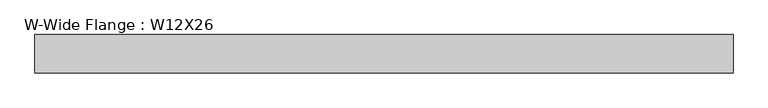
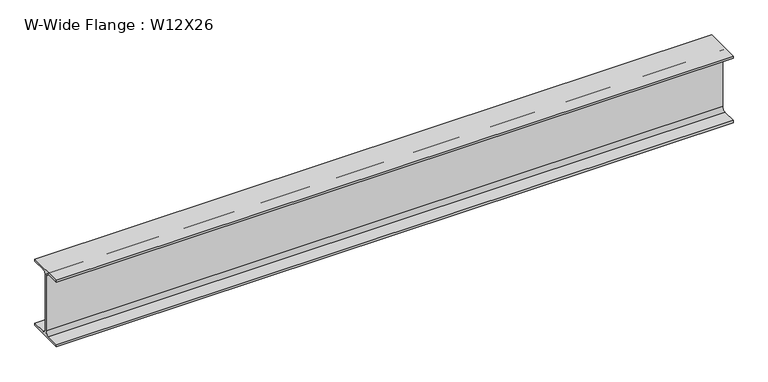
"""IFC4 building model written with IfcOpenShell, lengths in millimetres: beam geometry, W-Wide Flange : W12X26."""

from ifc_helpers import new_model, si_unit, point, frame, frame_2d, origin, place, context, project, spatial, polyline, circle_curve, trimmed, segment, composite_curve, outline, extrude, source, transform, mapped, element, save


def w_wide_flange_w12x26_d95996ef(model_context):
    return source(origin(), model_context, "Body", "SweptSolid", [
        extrude(outline(composite_curve([segment(polyline([(82.4011719, -145.5539063), (82.4011719, -155.178125), (-82.4011719, -155.178125), (-82.4011719, -145.5539063), (-20.2902344, -145.5539063)]), True, "CONTINUOUS"), segment(trimmed(circle_curve(frame_2d((-20.2902344, -128.190625)), 17.3632812), [point((-20.2902344, -145.5539063))], [point((-2.9269531, -128.190625))], True, "CARTESIAN"), True, "CONTINUOUS"), segment(polyline([(-2.9269531, -128.190625), (-2.9269531, 128.190625)]), True, "CONTINUOUS"), segment(trimmed(circle_curve(frame_2d((-20.2902344, 128.190625)), 17.3632812), [point((-2.9269531, 128.190625))], [point((-20.2902344, 145.5539062))], True, "CARTESIAN"), True, "CONTINUOUS"), segment(polyline([(-20.2902344, 145.5539062), (-82.4011719, 145.5539062), (-82.4011719, 155.178125), (82.4011719, 155.178125), (82.4011719, 145.5539062), (20.2902344, 145.5539062)]), True, "CONTINUOUS"), segment(trimmed(circle_curve(frame_2d((20.2902344, 128.190625)), 17.3632812), [point((20.2902344, 145.5539062))], [point((2.9269531, 128.190625))], True, "CARTESIAN"), True, "CONTINUOUS"), segment(polyline([(2.9269531, 128.190625), (2.9269531, -128.190625)]), True, "CONTINUOUS"), segment(trimmed(circle_curve(frame_2d((20.2902344, -128.190625)), 17.3632812), [point((2.9269531, -128.190625))], [point((20.2902344, -145.5539063))], True, "CARTESIAN"), True, "CONTINUOUS"), segment(polyline([(20.2902344, -145.5539063), (82.4011719, -145.5539063)]), True, "CONTINUOUS")], self_intersect=False)), frame((-1606.4372579, 0.0, 0.0), z_axis=(1.0, 0.0, 0.0), x_axis=(0.0, 1.0, 0.0)), (0.0, 0.0, 1.0), 2997.236086),
    ])


if __name__ == "__main__":
    model = new_model("IFC4")
    model_context = context("Model", 3, world=origin())
    ifc_project = project(units=[si_unit("LENGTHUNIT", "METRE", prefix="MILLI")], contexts=[model_context])
    site = spatial("IfcSite", under=ifc_project)
    building = spatial("IfcBuilding", under=site)
    placement = place(None, origin())
    w_wide_flange_w12x26_shape = w_wide_flange_w12x26_d95996ef(model_context)
    element("IfcBeam", 1, ObjectType="W-Wide Flange : W12X26", at=placement, inside=building, context=model_context, shape_type="MappedRepresentation", body=[
        mapped(w_wide_flange_w12x26_shape, transform((0.0, 0.0, 0.0), x_axis=(1.0, 0.0, 0.0), y_axis=(0.0, 1.0, 0.0), z_axis=(0.0, 0.0, 1.0))),
    ])
    save(model, "model.ifc")
